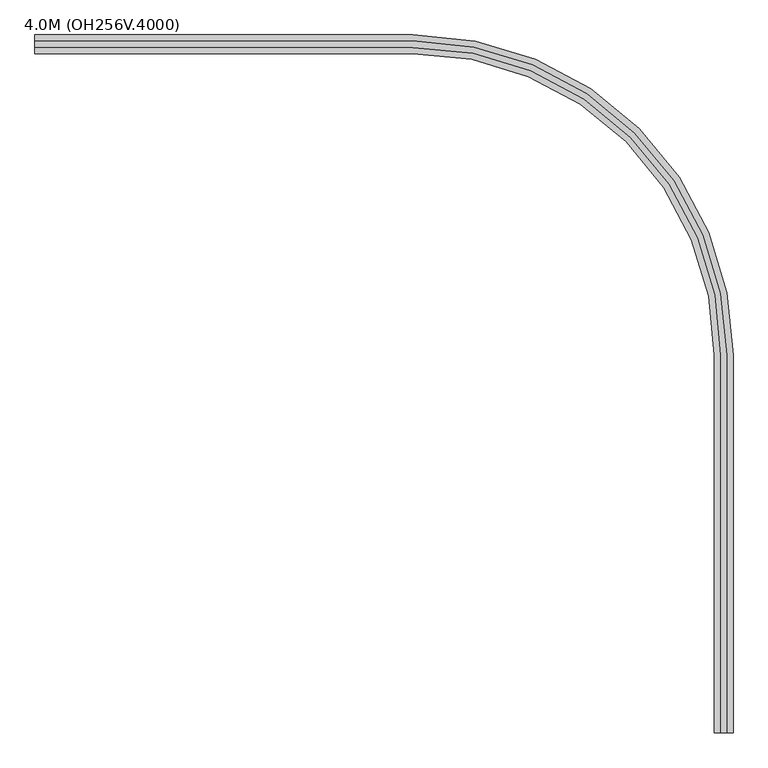
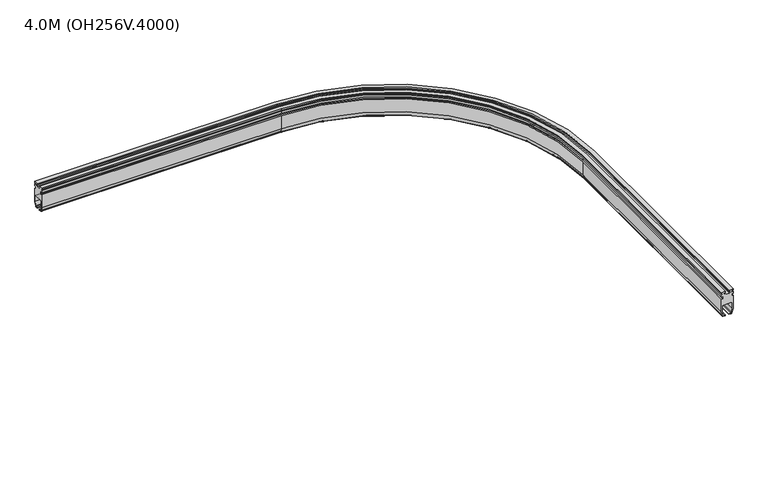
"""IFC4 building model written with IfcOpenShell, lengths in millimetres: proxy geometry, 4.0M (OH256V.4000)."""

from ifc_helpers import new_model, si_unit, point, frame, origin, place, context, project, spatial, polyline, circle_curve, ellipse_curve, trimmed, source, transform, mapped, element, save
from ifc_brep_helpers import plane_surface, cylinder_surface, revolved_surface, advanced_brep


def proxy_4_0m_oh256v_4000_aabb9d19(model_context):
    return source(origin(), model_context, "Body", "AdvancedBrep", [
        advanced_brep(
        [(-413.5740481, 330.0, 94.75), (-413.5740481, 330.0, 25.1), (-413.5740481, 324.2674695, 3.7059048), (-413.5740481, 319.4378403, 0.0), (-413.5740481, 309.025, 0.0), (-413.5740481, 309.025, 4.0), (-413.5740481, 317.9031864, 4.0), (-413.5740481, 320.8009638, 6.2235429), (-413.5740481, 326.0, 25.62661), (-413.5740481, 326.0, 55.0), (-413.5740481, 321.0, 60.0), (-413.5740481, 279.0, 60.0), (-413.5740481, 274.0, 55.0), (-413.5740481, 274.0, 25.62661), (-413.5740481, 279.1990362, 6.2235429), (-413.5740481, 282.0968136, 4.0), (-413.5740481, 290.975, 4.0), (-413.5740481, 290.975, 0.0), (-413.5740481, 280.5621597, 0.0), (-413.5740481, 275.7325305, 3.7059048), (-413.5740481, 270.0, 25.1), (-413.5740481, 270.0, 94.75), (-413.5740481, 277.0, 94.75), (-413.5740481, 277.0, 106.75), (-413.5740481, 270.0, 106.75), (-413.5740481, 270.0, 117.0), (-413.5740481, 276.0, 117.0), (-413.5740481, 276.0, 124.0), (-413.5740481, 270.0, 124.0), (-413.5740481, 270.0, 130.0), (-413.5740481, 289.5, 130.0), (-413.5740481, 289.5, 124.0), (-413.5740481, 283.5, 124.0), (-413.5740481, 283.5, 117.0), (-413.5740481, 289.5, 117.0), (-413.5740481, 289.5, 114.0), (-413.5740481, 310.5, 114.0), (-413.5740481, 310.5, 117.0), (-413.5740481, 316.5, 117.0), (-413.5740481, 316.5, 124.0), (-413.5740481, 310.5, 124.0), (-413.5740481, 310.5, 130.0), (-413.5740481, 330.0, 130.0), (-413.5740481, 330.0, 124.0), (-413.5740481, 324.0, 124.0), (-413.5740481, 324.0, 117.0), (-413.5740481, 330.0, 117.0), (-413.5740481, 330.0, 106.75), (-413.5740481, 323.0, 106.75), (-413.5740481, 323.0, 94.75), (801.0277885, 330.0, 94.75), (801.0277885, 330.0, 25.1), (801.0277885, 324.2674695, 3.7059048), (801.0277885, 319.4378403, 0.0), (1820.4656288, -700.0, 0.0), (1820.4656288, -1914.6018366, 0.0), (1810.0527885, -1914.6018366, 0.0), (1810.0527885, -700.0, 0.0), (801.0277885, 309.025, 0.0), (801.0277885, 309.025, 4.0), (1810.0527885, -700.0, 4.0), (1810.0527885, -1914.6018366, 4.0), (1818.9309749, -1914.6018366, 4.0), (1818.9309749, -700.0, 4.0), (801.0277885, 317.9031864, 4.0), (801.0277885, 320.8009638, 6.2235429), (801.0277885, 326.0, 25.62661), (801.0277885, 326.0, 55.0), (801.0277885, 321.0, 60.0), (1822.0277885, -700.0, 60.0), (1822.0277885, -1914.6018366, 60.0), (1780.0277885, -1914.6018366, 60.0), (1780.0277885, -700.0, 60.0), (801.0277885, 279.0, 60.0), (801.0277885, 274.0, 55.0), (801.0277885, 274.0, 25.62661), (801.0277885, 279.1990362, 6.2235429), (801.0277885, 282.0968136, 4.0), (1783.1246022, -700.0, 4.0), (1783.1246022, -1914.6018366, 4.0), (1792.0027885, -1914.6018366, 4.0), (1792.0027885, -700.0, 4.0), (801.0277885, 290.975, 4.0), (801.0277885, 290.975, 0.0), (1792.0027885, -700.0, 0.0), (1792.0027885, -1914.6018366, 0.0), (1781.5899482, -1914.6018366, 0.0), (1781.5899482, -700.0, 0.0), (801.0277885, 280.5621597, 0.0), (801.0277885, 275.7325305, 3.7059048), (801.0277885, 270.0, 25.1), (801.0277885, 270.0, 94.75), (1771.0277885, -700.0, 94.75), (1771.0277885, -1914.6018366, 94.75), (1778.0277885, -1914.6018366, 94.75), (1778.0277885, -700.0, 94.75), (801.0277885, 277.0, 94.75), (801.0277885, 277.0, 106.75), (1778.0277885, -700.0, 106.75), (1778.0277885, -1914.6018366, 106.75), (1771.0277885, -1914.6018366, 106.75), (1771.0277885, -700.0, 106.75), (801.0277885, 270.0, 106.75), (801.0277885, 270.0, 117.0), (1771.0277885, -700.0, 117.0), (1771.0277885, -1914.6018366, 117.0), (1777.0277885, -1914.6018366, 117.0), (1777.0277885, -700.0, 117.0), (801.0277885, 276.0, 117.0), (801.0277885, 276.0, 124.0), (1777.0277885, -700.0, 124.0), (1777.0277885, -1914.6018366, 124.0), (1771.0277885, -1914.6018366, 124.0), (1771.0277885, -700.0, 124.0), (801.0277885, 270.0, 124.0), (801.0277885, 270.0, 130.0), (1771.0277885, -700.0, 130.0), (1771.0277885, -1914.6018366, 130.0), (1790.5277885, -1914.6018366, 130.0), (1790.5277885, -700.0, 130.0), (801.0277885, 289.5, 130.0), (801.0277885, 289.5, 124.0), (1790.5277885, -700.0, 124.0), (1790.5277885, -1914.6018366, 124.0), (1784.5277885, -1914.6018366, 124.0), (1784.5277885, -700.0, 124.0), (801.0277885, 283.5, 124.0), (801.0277885, 283.5, 117.0), (1784.5277885, -700.0, 117.0), (1784.5277885, -1914.6018366, 117.0), (1790.5277885, -1914.6018366, 117.0), (1790.5277885, -700.0, 117.0), (801.0277885, 289.5, 117.0), (801.0277885, 289.5, 114.0), (1790.5277885, -700.0, 114.0), (1790.5277885, -1914.6018366, 114.0), (1811.5277885, -1914.6018366, 114.0), (1811.5277885, -700.0, 114.0), (801.0277885, 310.5, 114.0), (801.0277885, 310.5, 117.0), (1811.5277885, -700.0, 117.0), (1811.5277885, -1914.6018366, 117.0), (1817.5277885, -1914.6018366, 117.0), (1817.5277885, -700.0, 117.0), (801.0277885, 316.5, 117.0), (801.0277885, 316.5, 124.0), (1817.5277885, -700.0, 124.0), (1817.5277885, -1914.6018366, 124.0), (1811.5277885, -1914.6018366, 124.0), (1811.5277885, -700.0, 124.0), (801.0277885, 310.5, 124.0), (801.0277885, 310.5, 130.0), (1811.5277885, -700.0, 130.0), (1811.5277885, -1914.6018366, 130.0), (1831.0277885, -1914.6018366, 130.0), (1831.0277885, -700.0, 130.0), (801.0277885, 330.0, 130.0), (801.0277885, 330.0, 124.0), (1831.0277885, -700.0, 124.0), (1831.0277885, -1914.6018366, 124.0), (1825.0277885, -1914.6018366, 124.0), (1825.0277885, -700.0, 124.0), (801.0277885, 324.0, 124.0), (801.0277885, 324.0, 117.0), (1825.0277885, -700.0, 117.0), (1825.0277885, -1914.6018366, 117.0), (1831.0277885, -1914.6018366, 117.0), (1831.0277885, -700.0, 117.0), (801.0277885, 330.0, 117.0), (801.0277885, 330.0, 106.75), (1831.0277885, -700.0, 106.75), (1831.0277885, -1914.6018366, 106.75), (1824.0277885, -1914.6018366, 106.75), (1824.0277885, -700.0, 106.75), (801.0277885, 323.0, 106.75), (801.0277885, 323.0, 94.75), (1824.0277885, -700.0, 94.75), (1824.0277885, -1914.6018366, 94.75), (1831.0277885, -1914.6018366, 94.75), (1831.0277885, -700.0, 94.75), (1831.0277885, -700.0, 25.1), (1825.295258, -700.0, 3.7059048), (1821.8287523, -700.0, 6.2235429), (1827.0277885, -700.0, 25.62661), (1827.0277885, -700.0, 55.0), (1775.0277885, -700.0, 55.0), (1775.0277885, -700.0, 25.62661), (1780.2268247, -700.0, 6.2235429), (1776.760319, -700.0, 3.7059048), (1771.0277885, -700.0, 25.1), (1771.0277885, -1914.6018366, 25.1), (1776.760319, -1914.6018366, 3.7059048), (1780.2268247, -1914.6018366, 6.2235429), (1775.0277885, -1914.6018366, 25.62661), (1775.0277885, -1914.6018366, 55.0), (1827.0277885, -1914.6018366, 55.0), (1827.0277885, -1914.6018366, 25.62661), (1821.8287523, -1914.6018366, 6.2235429), (1825.295258, -1914.6018366, 3.7059048), (1831.0277885, -1914.6018366, 25.1)],
        [
            (0, 1),
            (1, 2),
            (2, 3, circle_curve(frame((-413.5740481, 319.4378403, 5.0), z_axis=(-1.0, 0.0, 0.0), x_axis=(0.0, 0.9659258262890678, -0.2588190451025229)), 5.0)),
            (3, 4),
            (4, 5),
            (5, 6),
            (6, 7, circle_curve(frame((-413.5740481, 317.9031864, 7.0), z_axis=(1.0, 0.0, 0.0), x_axis=(0.0, -0.9659258262890709, 0.25881904510251114)), 3.0)),
            (7, 8),
            (8, 9),
            (9, 10, circle_curve(frame((-413.5740481, 321.0, 55.0), z_axis=(1.0, 0.0, 0.0), x_axis=(0.0, 0.0, -1.0)), 5.0)),
            (10, 11),
            (11, 12, circle_curve(frame((-413.5740481, 279.0, 55.0), z_axis=(1.0, 0.0, 0.0), x_axis=(0.0, 1.0, 0.0)), 5.0)),
            (12, 13),
            (13, 14),
            (14, 15, circle_curve(frame((-413.5740481, 282.0968136, 7.0), z_axis=(1.0, 0.0, 0.0), x_axis=(0.0, 0.0, 1.0)), 3.0)),
            (15, 16),
            (16, 17),
            (17, 18),
            (18, 19, circle_curve(frame((-413.5740481, 280.5621597, 5.0), z_axis=(-1.0, 0.0, 0.0), x_axis=(0.0, -0.9659258262890698, -0.2588190451025158)), 5.0)),
            (19, 20),
            (20, 21),
            (21, 22),
            (22, 23),
            (23, 24),
            (24, 25),
            (25, 26),
            (26, 27),
            (27, 28),
            (28, 29),
            (29, 30),
            (30, 31),
            (31, 32),
            (32, 33),
            (33, 34),
            (34, 35),
            (35, 36),
            (36, 37),
            (37, 38),
            (38, 39),
            (39, 40),
            (40, 41),
            (41, 42),
            (42, 43),
            (43, 44),
            (44, 45),
            (45, 46),
            (46, 47),
            (47, 48),
            (48, 49),
            (49, 0),
            (0, 50),
            (50, 51),
            (51, 1),
            (51, 52),
            (52, 2),
            (52, 53, circle_curve(frame((801.0277885, 319.4378403, 5.0), z_axis=(-1.0, 0.0, 0.0), x_axis=(0.0, 0.9659258262890678, -0.2588190451025229)), 5.0)),
            (53, 3),
            (53, 54, circle_curve(frame((801.0277885, -700.0, 0.0), z_axis=(0.0, 0.0, -1.0), x_axis=(0.0, 1.0, 0.0)), 1019.4378403)),
            (54, 55),
            (55, 56),
            (56, 57),
            (57, 58, circle_curve(frame((801.0277885, -700.0, 0.0), z_axis=(0.0, 0.0, 1.0), x_axis=(0.0, 1.0, 0.0)), 1009.025)),
            (58, 4),
            (58, 59),
            (59, 5),
            (59, 60, circle_curve(frame((801.0277885, -700.0, 4.0), z_axis=(0.0, 0.0, -1.0), x_axis=(0.0, 1.0, 0.0)), 1009.025)),
            (60, 61),
            (61, 62),
            (62, 63),
            (63, 64, circle_curve(frame((801.0277885, -700.0, 4.0), z_axis=(0.0, 0.0, 1.0), x_axis=(0.0, 1.0, 0.0)), 1017.9031864)),
            (64, 6),
            (64, 65, circle_curve(frame((801.0277885, 317.9031864, 7.0), z_axis=(1.0, 0.0, 0.0), x_axis=(0.0, -0.9659258262890709, 0.25881904510251114)), 3.0)),
            (65, 7),
            (65, 66),
            (66, 8),
            (66, 67),
            (67, 9),
            (67, 68, circle_curve(frame((801.0277885, 321.0, 55.0), z_axis=(1.0, 0.0, 0.0), x_axis=(0.0, 0.0, -1.0)), 5.0)),
            (68, 10),
            (68, 69, circle_curve(frame((801.0277885, -700.0, 60.0), z_axis=(0.0, 0.0, -1.0), x_axis=(0.0, 1.0, 0.0)), 1021.0)),
            (69, 70),
            (70, 71),
            (71, 72),
            (72, 73, circle_curve(frame((801.0277885, -700.0, 60.0), z_axis=(0.0, 0.0, 1.0), x_axis=(0.0, 1.0, 0.0)), 979.0)),
            (73, 11),
            (73, 74, circle_curve(frame((801.0277885, 279.0, 55.0), z_axis=(1.0, 0.0, 0.0), x_axis=(0.0, 1.0, 0.0)), 5.0)),
            (74, 12),
            (74, 75),
            (75, 13),
            (75, 76),
            (76, 14),
            (76, 77, circle_curve(frame((801.0277885, 282.0968136, 7.0), z_axis=(1.0, 0.0, 0.0), x_axis=(0.0, 0.0, 1.0)), 3.0)),
            (77, 15),
            (77, 78, circle_curve(frame((801.0277885, -700.0, 4.0), z_axis=(0.0, 0.0, -1.0), x_axis=(0.0, 1.0, 0.0)), 982.0968136)),
            (78, 79),
            (79, 80),
            (80, 81),
            (81, 82, circle_curve(frame((801.0277885, -700.0, 4.0), z_axis=(0.0, 0.0, 1.0), x_axis=(0.0, 1.0, 0.0)), 990.975)),
            (82, 16),
            (82, 83),
            (83, 17),
            (83, 84, circle_curve(frame((801.0277885, -700.0, 0.0), z_axis=(0.0, 0.0, -1.0), x_axis=(0.0, 1.0, 0.0)), 990.975)),
            (84, 85),
            (85, 86),
            (86, 87),
            (87, 88, circle_curve(frame((801.0277885, -700.0, 0.0), z_axis=(0.0, 0.0, 1.0), x_axis=(0.0, 1.0, 0.0)), 980.5621597)),
            (88, 18),
            (88, 89, circle_curve(frame((801.0277885, 280.5621597, 5.0), z_axis=(-1.0, 0.0, 0.0), x_axis=(0.0, -0.9659258262890698, -0.2588190451025158)), 5.0)),
            (89, 19),
            (89, 90),
            (90, 20),
            (90, 91),
            (91, 21),
            (91, 92, circle_curve(frame((801.0277885, -700.0, 94.75), z_axis=(0.0, 0.0, -1.0), x_axis=(0.0, 1.0, 0.0)), 970.0)),
            (92, 93),
            (93, 94),
            (94, 95),
            (95, 96, circle_curve(frame((801.0277885, -700.0, 94.75), z_axis=(0.0, 0.0, 1.0), x_axis=(0.0, 1.0, 0.0)), 977.0)),
            (96, 22),
            (96, 97),
            (97, 23),
            (97, 98, circle_curve(frame((801.0277885, -700.0, 106.75), z_axis=(0.0, 0.0, -1.0), x_axis=(0.0, 1.0, 0.0)), 977.0)),
            (98, 99),
            (99, 100),
            (100, 101),
            (101, 102, circle_curve(frame((801.0277885, -700.0, 106.75), z_axis=(0.0, 0.0, 1.0), x_axis=(0.0, 1.0, 0.0)), 970.0)),
            (102, 24),
            (102, 103),
            (103, 25),
            (103, 104, circle_curve(frame((801.0277885, -700.0, 117.0), z_axis=(0.0, 0.0, -1.0), x_axis=(0.0, 1.0, 0.0)), 970.0)),
            (104, 105),
            (105, 106),
            (106, 107),
            (107, 108, circle_curve(frame((801.0277885, -700.0, 117.0), z_axis=(0.0, 0.0, 1.0), x_axis=(0.0, 1.0, 0.0)), 976.0)),
            (108, 26),
            (108, 109),
            (109, 27),
            (109, 110, circle_curve(frame((801.0277885, -700.0, 124.0), z_axis=(0.0, 0.0, -1.0), x_axis=(0.0, 1.0, 0.0)), 976.0)),
            (110, 111),
            (111, 112),
            (112, 113),
            (113, 114, circle_curve(frame((801.0277885, -700.0, 124.0), z_axis=(0.0, 0.0, 1.0), x_axis=(0.0, 1.0, 0.0)), 970.0)),
            (114, 28),
            (114, 115),
            (115, 29),
            (115, 116, circle_curve(frame((801.0277885, -700.0, 130.0), z_axis=(0.0, 0.0, -1.0), x_axis=(0.0, 1.0, 0.0)), 970.0)),
            (116, 117),
            (117, 118),
            (118, 119),
            (119, 120, circle_curve(frame((801.0277885, -700.0, 130.0), z_axis=(0.0, 0.0, 1.0), x_axis=(0.0, 1.0, 0.0)), 989.5)),
            (120, 30),
            (120, 121),
            (121, 31),
            (121, 122, circle_curve(frame((801.0277885, -700.0, 124.0), z_axis=(0.0, 0.0, -1.0), x_axis=(0.0, 1.0, 0.0)), 989.5)),
            (122, 123),
            (123, 124),
            (124, 125),
            (125, 126, circle_curve(frame((801.0277885, -700.0, 124.0), z_axis=(0.0, 0.0, 1.0), x_axis=(0.0, 1.0, 0.0)), 983.5)),
            (126, 32),
            (126, 127),
            (127, 33),
            (127, 128, circle_curve(frame((801.0277885, -700.0, 117.0), z_axis=(0.0, 0.0, -1.0), x_axis=(0.0, 1.0, 0.0)), 983.5)),
            (128, 129),
            (129, 130),
            (130, 131),
            (131, 132, circle_curve(frame((801.0277885, -700.0, 117.0), z_axis=(0.0, 0.0, 1.0), x_axis=(0.0, 1.0, 0.0)), 989.5)),
            (132, 34),
            (132, 133),
            (133, 35),
            (133, 134, circle_curve(frame((801.0277885, -700.0, 114.0), z_axis=(0.0, 0.0, -1.0), x_axis=(0.0, 1.0, 0.0)), 989.5)),
            (134, 135),
            (135, 136),
            (136, 137),
            (137, 138, circle_curve(frame((801.0277885, -700.0, 114.0), z_axis=(0.0, 0.0, 1.0), x_axis=(0.0, 1.0, 0.0)), 1010.5)),
            (138, 36),
            (138, 139),
            (139, 37),
            (139, 140, circle_curve(frame((801.0277885, -700.0, 117.0), z_axis=(0.0, 0.0, -1.0), x_axis=(0.0, 1.0, 0.0)), 1010.5)),
            (140, 141),
            (141, 142),
            (142, 143),
            (143, 144, circle_curve(frame((801.0277885, -700.0, 117.0), z_axis=(0.0, 0.0, 1.0), x_axis=(0.0, 1.0, 0.0)), 1016.5)),
            (144, 38),
            (144, 145),
            (145, 39),
            (145, 146, circle_curve(frame((801.0277885, -700.0, 124.0), z_axis=(0.0, 0.0, -1.0), x_axis=(0.0, 1.0, 0.0)), 1016.5)),
            (146, 147),
            (147, 148),
            (148, 149),
            (149, 150, circle_curve(frame((801.0277885, -700.0, 124.0), z_axis=(0.0, 0.0, 1.0), x_axis=(0.0, 1.0, 0.0)), 1010.5)),
            (150, 40),
            (150, 151),
            (151, 41),
            (151, 152, circle_curve(frame((801.0277885, -700.0, 130.0), z_axis=(0.0, 0.0, -1.0), x_axis=(0.0, 1.0, 0.0)), 1010.5)),
            (152, 153),
            (153, 154),
            (154, 155),
            (155, 156, circle_curve(frame((801.0277885, -700.0, 130.0), z_axis=(0.0, 0.0, 1.0), x_axis=(0.0, 1.0, 0.0)), 1030.0)),
            (156, 42),
            (156, 157),
            (157, 43),
            (157, 158, circle_curve(frame((801.0277885, -700.0, 124.0), z_axis=(0.0, 0.0, -1.0), x_axis=(0.0, 1.0, 0.0)), 1030.0)),
            (158, 159),
            (159, 160),
            (160, 161),
            (161, 162, circle_curve(frame((801.0277885, -700.0, 124.0), z_axis=(0.0, 0.0, 1.0), x_axis=(0.0, 1.0, 0.0)), 1024.0)),
            (162, 44),
            (162, 163),
            (163, 45),
            (163, 164, circle_curve(frame((801.0277885, -700.0, 117.0), z_axis=(0.0, 0.0, -1.0), x_axis=(0.0, 1.0, 0.0)), 1024.0)),
            (164, 165),
            (165, 166),
            (166, 167),
            (167, 168, circle_curve(frame((801.0277885, -700.0, 117.0), z_axis=(0.0, 0.0, 1.0), x_axis=(0.0, 1.0, 0.0)), 1030.0)),
            (168, 46),
            (168, 169),
            (169, 47),
            (169, 170, circle_curve(frame((801.0277885, -700.0, 106.75), z_axis=(0.0, 0.0, -1.0), x_axis=(0.0, 1.0, 0.0)), 1030.0)),
            (170, 171),
            (171, 172),
            (172, 173),
            (173, 174, circle_curve(frame((801.0277885, -700.0, 106.75), z_axis=(0.0, 0.0, 1.0), x_axis=(0.0, 1.0, 0.0)), 1023.0)),
            (174, 48),
            (174, 175),
            (175, 49),
            (175, 176, circle_curve(frame((801.0277885, -700.0, 94.75), z_axis=(0.0, 0.0, -1.0), x_axis=(0.0, 1.0, 0.0)), 1023.0)),
            (176, 177),
            (177, 178),
            (178, 179),
            (179, 50, circle_curve(frame((801.0277885, -700.0, 94.75), z_axis=(0.0, 0.0, 1.0), x_axis=(0.0, 1.0, 0.0)), 1030.0)),
            (180, 51, circle_curve(frame((801.0277885, -700.0, 25.1), z_axis=(0.0, 0.0, 1.0), x_axis=(0.0, 1.0, 0.0)), 1030.0)),
            (179, 180),
            (180, 181),
            (181, 52, circle_curve(frame((801.0277885, -700.0, 3.7059048), z_axis=(0.0, 0.0, 1.0), x_axis=(0.0, 1.0, 0.0)), 1024.2674695)),
            (181, 54, circle_curve(frame((1820.4656288, -700.0, 5.0), z_axis=(0.0, 1.0000000000000002, 0.0), x_axis=(0.9659258262890671, 0.0, -0.258819045102526)), 5.0)),
            (57, 60),
            (63, 182, circle_curve(frame((1818.9309749, -700.0, 7.0), z_axis=(0.0, -1.0, 0.0), x_axis=(-0.9659258262890702, 0.0, 0.25881904510251424)), 3.0)),
            (182, 65, circle_curve(frame((801.0277885, -700.0, 6.2235429), z_axis=(0.0, 0.0, 1.0), x_axis=(0.0, 1.0, 0.0)), 1020.8009638)),
            (182, 183),
            (183, 66, circle_curve(frame((801.0277885, -700.0, 25.62661), z_axis=(0.0, 0.0, 1.0), x_axis=(0.0, 1.0, 0.0)), 1026.0)),
            (183, 184),
            (184, 67, circle_curve(frame((801.0277885, -700.0, 55.0), z_axis=(0.0, 0.0, 1.0), x_axis=(0.0, 1.0, 0.0)), 1026.0)),
            (184, 69, circle_curve(frame((1822.0277885, -700.0, 55.0), z_axis=(0.0, -1.0, 0.0), x_axis=(0.0, 0.0, -1.0)), 5.0)),
            (72, 185, circle_curve(frame((1780.0277885, -700.0, 55.0), z_axis=(0.0, -1.0, 0.0), x_axis=(1.0, 0.0, 0.0)), 5.0)),
            (185, 74, circle_curve(frame((801.0277885, -700.0, 55.0), z_axis=(0.0, 0.0, 1.0), x_axis=(0.0, 1.0, 0.0)), 974.0)),
            (185, 186),
            (186, 75, circle_curve(frame((801.0277885, -700.0, 25.62661), z_axis=(0.0, 0.0, 1.0), x_axis=(0.0, 1.0, 0.0)), 974.0)),
            (186, 187),
            (187, 76, circle_curve(frame((801.0277885, -700.0, 6.2235429), z_axis=(0.0, 0.0, 1.0), x_axis=(0.0, 1.0, 0.0)), 979.1990362)),
            (187, 78, circle_curve(frame((1783.1246022, -700.0, 7.0), z_axis=(0.0, -1.0, 0.0), x_axis=(0.0, 0.0, 1.0)), 3.0)),
            (81, 84),
            (87, 188, circle_curve(frame((1781.5899482, -700.0, 5.0), z_axis=(0.0, 1.0000000000000002, 0.0), x_axis=(-0.9659258262890704, 0.0, -0.25881904510251263)), 5.0)),
            (188, 89, circle_curve(frame((801.0277885, -700.0, 3.7059048), z_axis=(0.0, 0.0, 1.0), x_axis=(0.0, 1.0, 0.0)), 975.7325305)),
            (188, 189),
            (189, 90, circle_curve(frame((801.0277885, -700.0, 25.1), z_axis=(0.0, 0.0, 1.0), x_axis=(0.0, 1.0, 0.0)), 970.0)),
            (189, 92),
            (95, 98),
            (101, 104),
            (107, 110),
            (113, 116),
            (119, 122),
            (125, 128),
            (131, 134),
            (137, 140),
            (143, 146),
            (149, 152),
            (155, 158),
            (161, 164),
            (167, 170),
            (173, 176),
            (177, 172),
            (171, 166),
            (165, 160),
            (159, 154),
            (153, 148),
            (147, 142),
            (141, 136),
            (135, 130),
            (129, 124),
            (123, 118),
            (117, 112),
            (111, 106),
            (105, 100),
            (99, 94),
            (93, 190),
            (190, 191),
            (191, 86, circle_curve(frame((1781.5899482, -1914.6018366, 5.0), z_axis=(0.0, -1.0, 0.0), x_axis=(-0.9659258262890705, 0.0, -0.2588190451025127)), 5.0)),
            (85, 80),
            (79, 192, circle_curve(frame((1783.1246022, -1914.6018366, 7.0), z_axis=(0.0, 1.0, 0.0), x_axis=(0.0, 0.0, 1.0)), 3.0)),
            (192, 193),
            (193, 194),
            (194, 71, circle_curve(frame((1780.0277885, -1914.6018366, 55.0), z_axis=(0.0, 1.0, 0.0), x_axis=(1.0, 0.0, 0.0)), 5.0)),
            (70, 195, circle_curve(frame((1822.0277885, -1914.6018366, 55.0), z_axis=(0.0, 1.0, 0.0), x_axis=(0.0, 0.0, -1.0)), 5.0)),
            (195, 196),
            (196, 197),
            (197, 62, circle_curve(frame((1818.9309749, -1914.6018366, 7.0), z_axis=(0.0, 1.0, 0.0), x_axis=(-0.9659258262890701, 0.0, 0.25881904510251424)), 3.0)),
            (61, 56),
            (55, 198, circle_curve(frame((1820.4656288, -1914.6018366, 5.0), z_axis=(0.0, -1.0, 0.0), x_axis=(0.965925826289067, 0.0, -0.258819045102526)), 5.0)),
            (198, 199),
            (199, 178),
            (199, 180),
            (198, 181),
            (197, 182),
            (196, 183),
            (195, 184),
            (194, 185),
            (193, 186),
            (192, 187),
            (191, 188),
            (190, 189),
        ],
        [
            plane_surface(frame((-413.5740481, 300.0, 0.0), z_axis=(-1.0, 0.0, 0.0), x_axis=(0.0, 0.0, 1.0))),
            plane_surface(frame((-413.5740481, 330.0, 94.75), z_axis=(0.0, 1.0, 0.0), x_axis=(1.0, 0.0, 0.0))),
            plane_surface(frame((-413.5740481, 330.0, 25.1), z_axis=(0.0, 0.9659258262890681, -0.2588190451025215), x_axis=(1.0, 0.0, 0.0))),
            cylinder_surface(frame((-413.5740481, 319.4378403, 5.0), z_axis=(-1.0, 0.0, 0.0), x_axis=(0.0, 0.9659258262890678, -0.2588190451025229)), 5.0),
            plane_surface(frame((-413.5740481, 319.4378403, 0.0), z_axis=(0.0, 0.0, -1.0), x_axis=(1.0, 0.0, 0.0))),
            plane_surface(frame((-413.5740481, 309.025, 0.0), z_axis=(0.0, -1.0, 0.0), x_axis=(1.0, 0.0, 0.0))),
            plane_surface(frame((-413.5740481, 309.025, 4.0), z_axis=(0.0, 0.0, 1.0), x_axis=(1.0, 0.0, 0.0))),
            revolved_surface(polyline([(801.0277885, 315.00540892113276, 7.776457135307533), (-413.5740481, 315.00540892113276, 7.776457135307533)]), (-413.5740481, 317.9031864, 7.0), (1.0, 0.0, 0.0)),
            plane_surface(frame((-413.5740481, 320.8009638, 6.2235429), z_axis=(0.0, -0.9659258262890666, 0.25881904510252696), x_axis=(1.0, 0.0, 0.0))),
            plane_surface(frame((-413.5740481, 326.0, 25.62661), z_axis=(0.0, -1.0, 0.0), x_axis=(1.0, 0.0, 0.0))),
            revolved_surface(polyline([(801.0277885, 321.0, 50.0), (-413.5740481, 321.0, 50.0)]), (-413.5740481, 321.0, 55.0), (1.0, 0.0, 0.0)),
            plane_surface(frame((-413.5740481, 321.0, 60.0), z_axis=(0.0, 0.0, -1.0), x_axis=(1.0, 0.0, 0.0))),
            revolved_surface(polyline([(801.0277885, 284.0, 55.0), (-413.5740481, 284.0, 55.0)]), (-413.5740481, 279.0, 55.0), (1.0, 0.0, 0.0)),
            plane_surface(frame((-413.5740481, 274.0, 55.0), z_axis=(0.0, 1.0, 0.0), x_axis=(1.0, 0.0, 0.0))),
            plane_surface(frame((-413.5740481, 274.0, 25.62661), z_axis=(0.0, 0.9659258262890692, 0.25881904510251774), x_axis=(1.0, 0.0, 0.0))),
            revolved_surface(polyline([(801.0277885, 282.0968136, 10.0), (-413.5740481, 282.0968136, 10.0)]), (-413.5740481, 282.0968136, 7.0), (1.0, 0.0, 0.0)),
            plane_surface(frame((-413.5740481, 282.0968136, 4.0), z_axis=(0.0, 0.0, 1.0), x_axis=(1.0, 0.0, 0.0))),
            plane_surface(frame((-413.5740481, 290.975, 4.0), z_axis=(0.0, 1.0, 0.0), x_axis=(1.0, 0.0, 0.0))),
            plane_surface(frame((-413.5740481, 290.975, 0.0), z_axis=(0.0, 0.0, -1.0), x_axis=(1.0, 0.0, 0.0))),
            cylinder_surface(frame((-413.5740481, 280.5621597, 5.0), z_axis=(-1.0000000000000002, 0.0, 0.0), x_axis=(0.0, -0.9659258262890698, -0.2588190451025158)), 5.0),
            plane_surface(frame((-413.5740481, 275.7325305, 3.7059048), z_axis=(0.0, -0.9659258262890702, -0.25881904510251397), x_axis=(1.0, 0.0, 0.0))),
            plane_surface(frame((-413.5740481, 270.0, 25.1), z_axis=(0.0, -1.0, 0.0), x_axis=(1.0, 0.0, 0.0))),
            plane_surface(frame((-413.5740481, 270.0, 94.75), z_axis=(0.0, 0.0, 1.0), x_axis=(1.0, 0.0, 0.0))),
            plane_surface(frame((-413.5740481, 277.0, 94.75), z_axis=(0.0, -1.0, 0.0), x_axis=(1.0, 0.0, 0.0))),
            plane_surface(frame((-413.5740481, 277.0, 106.75), z_axis=(0.0, 0.0, -1.0), x_axis=(1.0, 0.0, 0.0))),
            plane_surface(frame((-413.5740481, 270.0, 106.75), z_axis=(0.0, -1.0, 0.0), x_axis=(1.0, 0.0, 0.0))),
            plane_surface(frame((-413.5740481, 270.0, 117.0), z_axis=(0.0, 0.0, 1.0), x_axis=(1.0, 0.0, 0.0))),
            plane_surface(frame((-413.5740481, 276.0, 117.0), z_axis=(0.0, -1.0, 0.0), x_axis=(1.0, 0.0, 0.0))),
            plane_surface(frame((-413.5740481, 276.0, 124.0), z_axis=(0.0, 0.0, -1.0), x_axis=(1.0, 0.0, 0.0))),
            plane_surface(frame((-413.5740481, 270.0, 124.0), z_axis=(0.0, -1.0, 0.0), x_axis=(1.0, 0.0, 0.0))),
            plane_surface(frame((-413.5740481, 270.0, 130.0), z_axis=(0.0, 0.0, 1.0), x_axis=(1.0, 0.0, 0.0))),
            plane_surface(frame((-413.5740481, 289.5, 130.0), z_axis=(0.0, 1.0, 0.0), x_axis=(1.0, 0.0, 0.0))),
            plane_surface(frame((-413.5740481, 289.5, 124.0), z_axis=(0.0, 0.0, -1.0), x_axis=(1.0, 0.0, 0.0))),
            plane_surface(frame((-413.5740481, 283.5, 124.0), z_axis=(0.0, 1.0, 0.0), x_axis=(1.0, 0.0, 0.0))),
            plane_surface(frame((-413.5740481, 283.5, 117.0), z_axis=(0.0, 0.0, 1.0), x_axis=(1.0, 0.0, 0.0))),
            plane_surface(frame((-413.5740481, 289.5, 117.0), z_axis=(0.0, 1.0, 0.0), x_axis=(1.0, 0.0, 0.0))),
            plane_surface(frame((-413.5740481, 289.5, 114.0), z_axis=(0.0, 0.0, 1.0), x_axis=(1.0, 0.0, 0.0))),
            plane_surface(frame((-413.5740481, 310.5, 114.0), z_axis=(0.0, -1.0, 0.0), x_axis=(1.0, 0.0, 0.0))),
            plane_surface(frame((-413.5740481, 310.5, 117.0), z_axis=(0.0, 0.0, 1.0), x_axis=(1.0, 0.0, 0.0))),
            plane_surface(frame((-413.5740481, 316.5, 117.0), z_axis=(0.0, -1.0, 0.0), x_axis=(1.0, 0.0, 0.0))),
            plane_surface(frame((-413.5740481, 316.5, 124.0), z_axis=(0.0, 0.0, -1.0), x_axis=(1.0, 0.0, 0.0))),
            plane_surface(frame((-413.5740481, 310.5, 124.0), z_axis=(0.0, -1.0, 0.0), x_axis=(1.0, 0.0, 0.0))),
            plane_surface(frame((-413.5740481, 310.5, 130.0), z_axis=(0.0, 0.0, 1.0), x_axis=(1.0, 0.0, 0.0))),
            plane_surface(frame((-413.5740481, 330.0, 130.0), z_axis=(0.0, 1.0, 0.0), x_axis=(1.0, 0.0, 0.0))),
            plane_surface(frame((-413.5740481, 330.0, 124.0), z_axis=(0.0, 0.0, -1.0), x_axis=(1.0, 0.0, 0.0))),
            plane_surface(frame((-413.5740481, 324.0, 124.0), z_axis=(0.0, 1.0, 0.0), x_axis=(1.0, 0.0, 0.0))),
            plane_surface(frame((-413.5740481, 324.0, 117.0), z_axis=(0.0, 0.0, 1.0), x_axis=(1.0, 0.0, 0.0))),
            plane_surface(frame((-413.5740481, 330.0, 117.0), z_axis=(0.0, 1.0, 0.0), x_axis=(1.0, 0.0, 0.0))),
            plane_surface(frame((-413.5740481, 330.0, 106.75), z_axis=(0.0, 0.0, -1.0), x_axis=(1.0, 0.0, 0.0))),
            plane_surface(frame((-413.5740481, 323.0, 106.75), z_axis=(0.0, 1.0, 0.0), x_axis=(1.0, 0.0, 0.0))),
            plane_surface(frame((-413.5740481, 323.0, 94.75), z_axis=(0.0, 0.0, 1.0), x_axis=(1.0, 0.0, 0.0))),
            cylinder_surface(frame((801.0277885, -700.0, 0.0), z_axis=(0.0, 0.0, -1.0), x_axis=(0.0, 1.0, 0.0)), 1030.0),
            revolved_surface(polyline([(801.0277885, 330.0, 25.1), (801.0277885, 324.2674695, 3.7059048)]), (801.0277885, -700.0, 0.0), (0.0, 0.0, -1.0)),
            revolved_surface(trimmed(ellipse_curve(frame((801.0277885, 319.4378403, 5.0), z_axis=(-1.0000000000000002, 0.0, 0.0), x_axis=(0.0, 0.9659258262890679, -0.2588190451025229)), 5.0, 5.0), [point((801.0277885, 324.2674695, 3.7059048))], [point((801.0277885, 319.4378403, 0.0))], True, "CARTESIAN"), (801.0277885, -700.0, 0.0), (0.0, 0.0, -1.0)),
            revolved_surface(polyline([(801.0277885, 309.025, 0.0), (801.0277885, 309.025, 4.0)]), (801.0277885, -700.0, 0.0), (0.0, 0.0, -1.0)),
            revolved_surface(trimmed(ellipse_curve(frame((801.0277885, 317.9031864, 7.0), z_axis=(1.0, 0.0, 0.0), x_axis=(0.0, -0.965925826289071, 0.25881904510251114)), 3.0, 3.0), [point((801.0277885, 317.9031864, 4.0))], [point((801.0277885, 320.8009638, 6.2235429))], True, "CARTESIAN"), (801.0277885, -700.0, 0.0), (0.0, 0.0, -1.0)),
            revolved_surface(polyline([(801.0277885, 320.8009638, 6.2235429), (801.0277885, 326.0, 25.62661)]), (801.0277885, -700.0, 0.0), (0.0, 0.0, -1.0)),
            revolved_surface(polyline([(801.0277885, 326.0, 25.62661), (801.0277885, 326.0, 55.0)]), (801.0277885, -700.0, 0.0), (0.0, 0.0, -1.0)),
            revolved_surface(trimmed(ellipse_curve(frame((801.0277885, 321.0, 55.0), z_axis=(1.0, 0.0, 0.0), x_axis=(0.0, 0.0, -1.0)), 5.0, 5.0), [point((801.0277885, 326.0, 55.0))], [point((801.0277885, 321.0, 60.0))], True, "CARTESIAN"), (801.0277885, -700.0, 0.0), (0.0, 0.0, -1.0)),
            revolved_surface(trimmed(ellipse_curve(frame((801.0277885, 279.0, 55.0), z_axis=(1.0, 0.0, 0.0), x_axis=(0.0, 1.0, 0.0)), 5.0, 5.0), [point((801.0277885, 279.0, 60.0))], [point((801.0277885, 274.0, 55.0))], True, "CARTESIAN"), (801.0277885, -700.0, 0.0), (0.0, 0.0, -1.0)),
            cylinder_surface(frame((801.0277885, -700.0, 0.0), z_axis=(0.0, 0.0, -1.0), x_axis=(0.0, 1.0, 0.0)), 974.0),
            revolved_surface(polyline([(801.0277885, 274.0, 25.62661), (801.0277885, 279.1990362, 6.2235429)]), (801.0277885, -700.0, 0.0), (0.0, 0.0, -1.0)),
            revolved_surface(trimmed(ellipse_curve(frame((801.0277885, 282.0968136, 7.0), z_axis=(1.0, 0.0, 0.0), x_axis=(0.0, 0.0, 1.0)), 3.0, 3.0), [point((801.0277885, 279.1990362, 6.2235429))], [point((801.0277885, 282.0968136, 4.0))], True, "CARTESIAN"), (801.0277885, -700.0, 0.0), (0.0, 0.0, -1.0)),
            cylinder_surface(frame((801.0277885, -700.0, 0.0), z_axis=(0.0, 0.0, -1.0), x_axis=(0.0, 1.0, 0.0)), 990.975),
            revolved_surface(trimmed(ellipse_curve(frame((801.0277885, 280.5621597, 5.0), z_axis=(-1.0000000000000002, 0.0, 0.0), x_axis=(0.0, -0.9659258262890696, -0.25881904510251574)), 5.0, 5.0), [point((801.0277885, 280.5621597, 0.0))], [point((801.0277885, 275.7325305, 3.7059048))], True, "CARTESIAN"), (801.0277885, -700.0, 0.0), (0.0, 0.0, -1.0)),
            revolved_surface(polyline([(801.0277885, 275.7325305, 3.7059048), (801.0277885, 270.0, 25.1)]), (801.0277885, -700.0, 0.0), (0.0, 0.0, -1.0)),
            revolved_surface(polyline([(801.0277885, 270.0, 25.1), (801.0277885, 270.0, 94.75)]), (801.0277885, -700.0, 0.0), (0.0, 0.0, -1.0)),
            revolved_surface(polyline([(801.0277885, 277.0, 94.75), (801.0277885, 277.0, 106.75)]), (801.0277885, -700.0, 0.0), (0.0, 0.0, -1.0)),
            revolved_surface(polyline([(801.0277885, 270.0, 106.75), (801.0277885, 270.0, 117.0)]), (801.0277885, -700.0, 0.0), (0.0, 0.0, -1.0)),
            revolved_surface(polyline([(801.0277885, 276.0, 117.0), (801.0277885, 276.0, 124.0)]), (801.0277885, -700.0, 0.0), (0.0, 0.0, -1.0)),
            revolved_surface(polyline([(801.0277885, 270.0, 124.0), (801.0277885, 270.0, 130.0)]), (801.0277885, -700.0, 0.0), (0.0, 0.0, -1.0)),
            cylinder_surface(frame((801.0277885, -700.0, 0.0), z_axis=(0.0, 0.0, -1.0), x_axis=(0.0, 1.0, 0.0)), 989.5),
            cylinder_surface(frame((801.0277885, -700.0, 0.0), z_axis=(0.0, 0.0, -1.0), x_axis=(0.0, 1.0, 0.0)), 983.5),
            revolved_surface(polyline([(801.0277885, 310.5, 114.0), (801.0277885, 310.5, 117.0)]), (801.0277885, -700.0, 0.0), (0.0, 0.0, -1.0)),
            revolved_surface(polyline([(801.0277885, 316.5, 117.0), (801.0277885, 316.5, 124.0)]), (801.0277885, -700.0, 0.0), (0.0, 0.0, -1.0)),
            revolved_surface(polyline([(801.0277885, 310.5, 124.0), (801.0277885, 310.5, 130.0)]), (801.0277885, -700.0, 0.0), (0.0, 0.0, -1.0)),
            cylinder_surface(frame((801.0277885, -700.0, 0.0), z_axis=(0.0, 0.0, -1.0), x_axis=(0.0, 1.0, 0.0)), 1024.0),
            cylinder_surface(frame((801.0277885, -700.0, 0.0), z_axis=(0.0, 0.0, -1.0), x_axis=(0.0, 1.0, 0.0)), 1023.0),
            plane_surface(frame((1801.0277885, -1914.6018366, 0.0), z_axis=(0.0, -1.0, 0.0), x_axis=(0.0, 0.0, 1.0))),
            plane_surface(frame((1831.0277885, -700.0, 94.75), z_axis=(1.0, 0.0, 0.0), x_axis=(0.0, -1.0, 0.0))),
            plane_surface(frame((1831.0277885, -700.0, 25.1), z_axis=(0.9659258262890673, 0.0, -0.2588190451025246), x_axis=(0.0, -1.0, 0.0))),
            cylinder_surface(frame((1820.4656288, -700.0, 5.0), z_axis=(0.0, 1.0000000000000002, 0.0), x_axis=(0.965925826289067, 0.0, -0.258819045102526)), 5.0),
            plane_surface(frame((1810.0527885, -700.0, 0.0), z_axis=(-1.0, 0.0, 0.0), x_axis=(0.0, -1.0, 0.0))),
            revolved_surface(polyline([(1816.0331974211326, -1914.6018366000005, 7.776457135307543), (1816.0331974211326, -700.0, 7.776457135307543)]), (1818.9309749, -700.0, 7.0), (0.0, -1.0000000000000002, 0.0)),
            plane_surface(frame((1821.8287523, -700.0, 6.2235429), z_axis=(-0.9659258262890659, 0.0, 0.25881904510253007), x_axis=(0.0, -1.0, 0.0))),
            plane_surface(frame((1827.0277885, -700.0, 25.62661), z_axis=(-1.0, 0.0, 0.0), x_axis=(0.0, -1.0, 0.0))),
            revolved_surface(polyline([(1822.0277885, -1914.6018366, 50.0), (1822.0277885, -700.0, 50.0)]), (1822.0277885, -700.0, 55.0), (0.0, -1.0, 0.0)),
            revolved_surface(polyline([(1785.0277885, -1914.6018366, 55.0), (1785.0277885, -700.0, 55.0)]), (1780.0277885, -700.0, 55.0), (0.0, -1.0, 0.0)),
            plane_surface(frame((1775.0277885, -700.0, 55.0), z_axis=(1.0, 0.0, 0.0), x_axis=(0.0, -1.0, 0.0))),
            plane_surface(frame((1775.0277885, -700.0, 25.62661), z_axis=(0.96592582628907, 0.0, 0.25881904510251463), x_axis=(0.0, -1.0, 0.0))),
            revolved_surface(polyline([(1783.1246022, -1914.6018366, 10.0), (1783.1246022, -700.0, 10.0)]), (1783.1246022, -700.0, 7.0), (0.0, -1.0, 0.0)),
            plane_surface(frame((1792.0027885, -700.0, 4.0), z_axis=(1.0, 0.0, 0.0), x_axis=(0.0, -1.0, 0.0))),
            cylinder_surface(frame((1781.5899482, -700.0, 5.0), z_axis=(0.0, 1.0000000000000002, 0.0), x_axis=(-0.9659258262890705, 0.0, -0.2588190451025127)), 5.0),
            plane_surface(frame((1776.760319, -700.0, 3.7059048), z_axis=(-0.965925826289071, 0.0, -0.25881904510251086), x_axis=(0.0, -1.0, 0.0))),
            plane_surface(frame((1771.0277885, -700.0, 25.1), z_axis=(-1.0, 0.0, 0.0), x_axis=(0.0, -1.0, 0.0))),
            plane_surface(frame((1778.0277885, -700.0, 94.75), z_axis=(-1.0, 0.0, 0.0), x_axis=(0.0, -1.0, 0.0))),
            plane_surface(frame((1771.0277885, -700.0, 106.75), z_axis=(-1.0, 0.0, 0.0), x_axis=(0.0, -1.0, 0.0))),
            plane_surface(frame((1777.0277885, -700.0, 117.0), z_axis=(-1.0, 0.0, 0.0), x_axis=(0.0, -1.0, 0.0))),
            plane_surface(frame((1771.0277885, -700.0, 124.0), z_axis=(-1.0, 0.0, 0.0), x_axis=(0.0, -1.0, 0.0))),
            plane_surface(frame((1790.5277885, -700.0, 130.0), z_axis=(1.0, 0.0, 0.0), x_axis=(0.0, -1.0, 0.0))),
            plane_surface(frame((1784.5277885, -700.0, 124.0), z_axis=(1.0, 0.0, 0.0), x_axis=(0.0, -1.0, 0.0))),
            plane_surface(frame((1790.5277885, -700.0, 117.0), z_axis=(1.0, 0.0, 0.0), x_axis=(0.0, -1.0, 0.0))),
            plane_surface(frame((1811.5277885, -700.0, 114.0), z_axis=(-1.0, 0.0, 0.0), x_axis=(0.0, -1.0, 0.0))),
            plane_surface(frame((1817.5277885, -700.0, 117.0), z_axis=(-1.0, 0.0, 0.0), x_axis=(0.0, -1.0, 0.0))),
            plane_surface(frame((1811.5277885, -700.0, 124.0), z_axis=(-1.0, 0.0, 0.0), x_axis=(0.0, -1.0, 0.0))),
            plane_surface(frame((1831.0277885, -700.0, 130.0), z_axis=(1.0, 0.0, 0.0), x_axis=(0.0, -1.0, 0.0))),
            plane_surface(frame((1825.0277885, -700.0, 124.0), z_axis=(1.0, 0.0, 0.0), x_axis=(0.0, -1.0, 0.0))),
            plane_surface(frame((1831.0277885, -700.0, 117.0), z_axis=(1.0, 0.0, 0.0), x_axis=(0.0, -1.0, 0.0))),
            plane_surface(frame((1824.0277885, -700.0, 106.75), z_axis=(1.0, 0.0, 0.0), x_axis=(0.0, -1.0, 0.0))),
        ],
        [
            (0, [[1, 2, 3, 4, 5, 6, 7, 8, 9, 10, 11, 12, 13, 14, 15, 16, 17, 18, 19, 20, 21, 22, 23, 24, 25, 26, 27, 28, 29, 30, 31, 32, 33, 34, 35, 36, 37, 38, 39, 40, 41, 42, 43, 44, 45, 46, 47, 48, 49, 50]]),
            (1, [[-1, 51, 52, 53]]),
            (2, [[-2, -53, 54, 55]]),
            (3, [[-3, -55, 56, 57]]),
            (4, [[-4, -57, 58, 59, 60, 61, 62, 63]]),
            (5, [[-5, -63, 64, 65]]),
            (6, [[-6, -65, 66, 67, 68, 69, 70, 71]]),
            (7, [[-7, -71, 72, 73]]),
            (8, [[-8, -73, 74, 75]]),
            (9, [[-9, -75, 76, 77]]),
            (10, [[-10, -77, 78, 79]]),
            (11, [[-11, -79, 80, 81, 82, 83, 84, 85]]),
            (12, [[-12, -85, 86, 87]]),
            (13, [[-13, -87, 88, 89]]),
            (14, [[-14, -89, 90, 91]]),
            (15, [[-15, -91, 92, 93]]),
            (16, [[-16, -93, 94, 95, 96, 97, 98, 99]]),
            (17, [[-17, -99, 100, 101]]),
            (18, [[-18, -101, 102, 103, 104, 105, 106, 107]]),
            (19, [[-19, -107, 108, 109]]),
            (20, [[-20, -109, 110, 111]]),
            (21, [[-21, -111, 112, 113]]),
            (22, [[-22, -113, 114, 115, 116, 117, 118, 119]]),
            (23, [[-23, -119, 120, 121]]),
            (24, [[-24, -121, 122, 123, 124, 125, 126, 127]]),
            (25, [[-25, -127, 128, 129]]),
            (26, [[-26, -129, 130, 131, 132, 133, 134, 135]]),
            (27, [[-27, -135, 136, 137]]),
            (28, [[-28, -137, 138, 139, 140, 141, 142, 143]]),
            (29, [[-29, -143, 144, 145]]),
            (30, [[-30, -145, 146, 147, 148, 149, 150, 151]]),
            (31, [[-31, -151, 152, 153]]),
            (32, [[-32, -153, 154, 155, 156, 157, 158, 159]]),
            (33, [[-33, -159, 160, 161]]),
            (34, [[-34, -161, 162, 163, 164, 165, 166, 167]]),
            (35, [[-35, -167, 168, 169]]),
            (36, [[-36, -169, 170, 171, 172, 173, 174, 175]]),
            (37, [[-37, -175, 176, 177]]),
            (38, [[-38, -177, 178, 179, 180, 181, 182, 183]]),
            (39, [[-39, -183, 184, 185]]),
            (40, [[-40, -185, 186, 187, 188, 189, 190, 191]]),
            (41, [[-41, -191, 192, 193]]),
            (42, [[-42, -193, 194, 195, 196, 197, 198, 199]]),
            (43, [[-43, -199, 200, 201]]),
            (44, [[-44, -201, 202, 203, 204, 205, 206, 207]]),
            (45, [[-45, -207, 208, 209]]),
            (46, [[-46, -209, 210, 211, 212, 213, 214, 215]]),
            (47, [[-47, -215, 216, 217]]),
            (48, [[-48, -217, 218, 219, 220, 221, 222, 223]]),
            (49, [[-49, -223, 224, 225]]),
            (50, [[-50, -225, 226, 227, 228, 229, 230, -51]]),
            (51, [[231, -52, -230, 232]]),
            (52, [[-231, 233, 234, -54]]),
            (53, [[-234, 235, -58, -56]]),
            (54, [[-62, 236, -66, -64]]),
            (55, [[-70, 237, 238, -72]]),
            (56, [[-238, 239, 240, -74]]),
            (57, [[-240, 241, 242, -76]]),
            (58, [[-242, 243, -80, -78]]),
            (59, [[-84, 244, 245, -86]]),
            (60, [[-245, 246, 247, -88]]),
            (61, [[-247, 248, 249, -90]]),
            (62, [[-249, 250, -94, -92]]),
            (63, [[-98, 251, -102, -100]]),
            (64, [[-106, 252, 253, -108]]),
            (65, [[-253, 254, 255, -110]]),
            (66, [[-255, 256, -114, -112]]),
            (67, [[-118, 257, -122, -120]]),
            (68, [[-126, 258, -130, -128]]),
            (69, [[-134, 259, -138, -136]]),
            (70, [[-142, 260, -146, -144]]),
            (71, [[-150, 261, -154, -152]]),
            (72, [[-158, 262, -162, -160]]),
            (71, [[-166, 263, -170, -168]]),
            (73, [[-174, 264, -178, -176]]),
            (74, [[-182, 265, -186, -184]]),
            (75, [[-190, 266, -194, -192]]),
            (51, [[-198, 267, -202, -200]]),
            (76, [[-206, 268, -210, -208]]),
            (51, [[-214, 269, -218, -216]]),
            (77, [[-222, 270, -226, -224]]),
            (78, [[-228, 271, -220, 272, -212, 273, -204, 274, -196, 275, -188, 276, -180, 277, -172, 278, -164, 279, -156, 280, -148, 281, -140, 282, -132, 283, -124, 284, -116, 285, 286, 287, -104, 288, -96, 289, 290, 291, 292, -82, 293, 294, 295, 296, -68, 297, -60, 298, 299, 300]]),
            (79, [[-300, 301, -232, -229]]),
            (80, [[-299, 302, -233, -301]]),
            (81, [[-298, -59, -235, -302]]),
            (82, [[-297, -67, -236, -61]]),
            (83, [[-296, 303, -237, -69]]),
            (84, [[-295, 304, -239, -303]]),
            (85, [[-294, 305, -241, -304]]),
            (86, [[-293, -81, -243, -305]]),
            (87, [[-292, 306, -244, -83]]),
            (88, [[-291, 307, -246, -306]]),
            (89, [[-290, 308, -248, -307]]),
            (90, [[-289, -95, -250, -308]]),
            (91, [[-288, -103, -251, -97]]),
            (92, [[-287, 309, -252, -105]]),
            (93, [[-286, 310, -254, -309]]),
            (94, [[-285, -115, -256, -310]]),
            (95, [[-284, -123, -257, -117]]),
            (96, [[-283, -131, -258, -125]]),
            (97, [[-282, -139, -259, -133]]),
            (98, [[-281, -147, -260, -141]]),
            (99, [[-280, -155, -261, -149]]),
            (100, [[-279, -163, -262, -157]]),
            (101, [[-278, -171, -263, -165]]),
            (102, [[-277, -179, -264, -173]]),
            (103, [[-276, -187, -265, -181]]),
            (104, [[-275, -195, -266, -189]]),
            (105, [[-274, -203, -267, -197]]),
            (106, [[-273, -211, -268, -205]]),
            (107, [[-272, -219, -269, -213]]),
            (108, [[-271, -227, -270, -221]]),
        ],
    ),
    ])


if __name__ == "__main__":
    model = new_model("IFC4")
    model_context = context("Model", 3, world=origin())
    ifc_project = project(units=[si_unit("LENGTHUNIT", "METRE", prefix="MILLI")], contexts=[model_context])
    site = spatial("IfcSite", under=ifc_project)
    building = spatial("IfcBuilding", under=site)
    placement = place(None, origin())
    proxy_4_0m_oh256v_4000_shape = proxy_4_0m_oh256v_4000_aabb9d19(model_context)
    element("IfcBuildingElementProxy", 1, Name="4.0M (OH256V.4000)", ObjectType="4.0M (OH256V.4000)", at=placement, inside=building, context=model_context, shape_type="MappedRepresentation", body=[
        mapped(proxy_4_0m_oh256v_4000_shape, transform((0.0, 0.0, 0.0), x_axis=(1.0, 0.0, 0.0), y_axis=(0.0, 1.0, 0.0), z_axis=(0.0, 0.0, 1.0))),
    ])
    save(model, "model.ifc")
